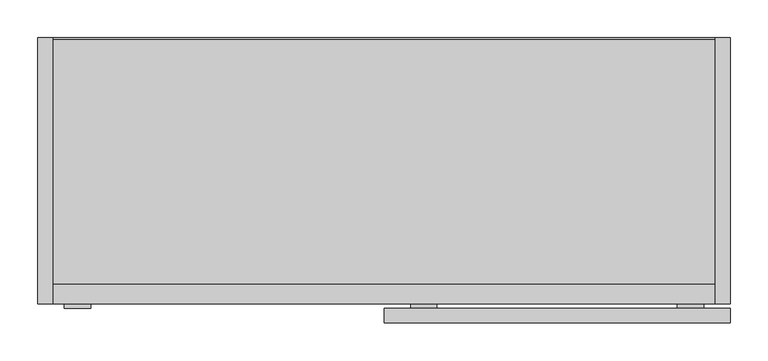
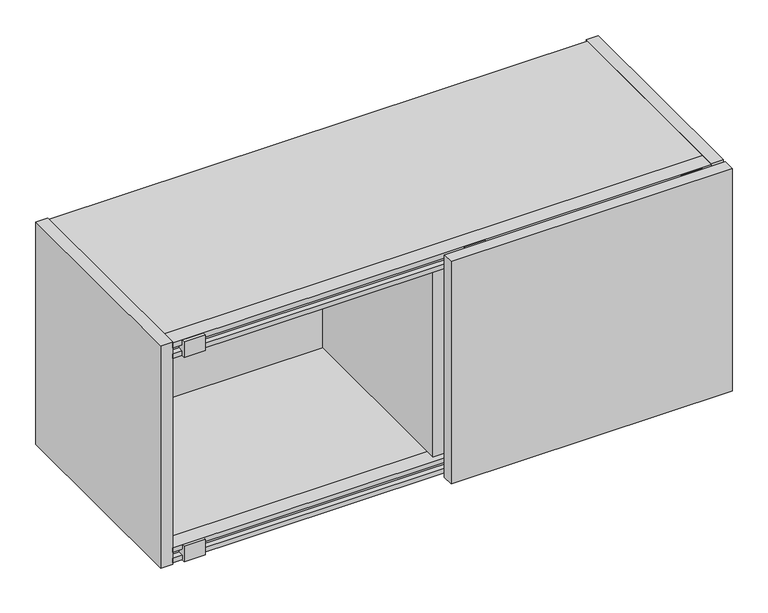
"""IFC4 building model written with IfcOpenShell, lengths in millimetres: furniture geometry."""

from ifc_helpers import new_model, si_unit, frame, origin, place, context, project, spatial, polyline, outline, extrude, faceted_brep, source, transform, mapped, element, save


def furniture_1bb23334(model_context):
    return source(origin(), model_context, "Body", "SolidModel", [
        extrude(outline(polyline([(-191.7735724, 1848.64375), (-191.7735724, 1840.70625), (-182.8835724, 1840.70625), (-182.8835724, 1830.3875), (-191.7735724, 1830.3875), (-191.7735724, 1822.45), (-197.5952524, 1822.45), (-197.5952524, 1848.64375), (-191.7735724, 1848.64375)])), frame((-422.275, 0.0, 0.0), z_axis=(1.0, 0.0, 0.0), x_axis=(0.0, 1.0, 0.0)), (0.0, 0.0, 1.0), 34.29),
        extrude(outline(polyline([(-191.7735724, 1840.70625), (-191.7735724, 1849.4319608), (-166.4497724, 1849.4319608), (-166.4497724, 1822.45), (-191.7735724, 1822.45), (-191.7735724, 1830.3875), (-182.8835724, 1830.3875), (-182.8835724, 1840.70625), (-191.7735724, 1840.70625)])), frame((-437.896, 0.0, 0.0), z_axis=(1.0, 0.0, 0.0), x_axis=(0.0, 1.0, 0.0)), (0.0, 0.0, 1.0), 872.8154375),
        extrude(outline(polyline([(-191.7735724, 1490.6625), (-191.7735724, 1498.6), (-166.4497724, 1498.6), (-166.4497724, 1472.40625), (-191.7735724, 1472.40625), (-191.7735724, 1480.34375), (-182.8835724, 1480.34375), (-182.8835724, 1490.6625), (-191.7735724, 1490.6625)])), frame((-437.896, 0.0, 0.0), z_axis=(1.0, 0.0, 0.0), x_axis=(0.0, 1.0, 0.0)), (0.0, 0.0, 1.0), 872.8154375),
        extrude(outline(polyline([(-191.7735724, 1498.6), (-191.7735724, 1490.6625), (-182.8835724, 1490.6625), (-182.8835724, 1480.34375), (-191.7735724, 1480.34375), (-191.7735724, 1472.40625), (-197.5952524, 1472.40625), (-197.5952524, 1498.6), (-191.7735724, 1498.6)])), frame((385.0084375, 0.0, 0.0), z_axis=(1.0, 0.0, 0.0), x_axis=(0.0, 1.0, 0.0)), (0.0, 0.0, 1.0), 34.29),
        extrude(outline(polyline([(-191.7735724, 1498.6), (-191.7735724, 1490.6625), (-182.8835724, 1490.6625), (-182.8835724, 1480.34375), (-191.7735724, 1480.34375), (-191.7735724, 1472.40625), (-197.5952524, 1472.40625), (-197.5952524, 1498.6), (-191.7735724, 1498.6)])), frame((33.5232375, 0.0, 0.0), z_axis=(1.0, 0.0, 0.0), x_axis=(0.0, 1.0, 0.0)), (0.0, 0.0, 1.0), 34.29),
        extrude(outline(polyline([(-191.7735724, 1848.64375), (-191.7735724, 1840.70625), (-182.8835724, 1840.70625), (-182.8835724, 1830.3875), (-191.7735724, 1830.3875), (-191.7735724, 1822.45), (-197.5952524, 1822.45), (-197.5952524, 1848.64375), (-191.7735724, 1848.64375)])), frame((385.0084375, 0.0, 0.0), z_axis=(1.0, 0.0, 0.0), x_axis=(0.0, 1.0, 0.0)), (0.0, 0.0, 1.0), 34.29),
        extrude(outline(polyline([(-191.7735724, 1848.64375), (-191.7735724, 1840.70625), (-182.8835724, 1840.70625), (-182.8835724, 1830.3875), (-191.7735724, 1830.3875), (-191.7735724, 1822.45), (-197.5952524, 1822.45), (-197.5952524, 1848.64375), (-191.7735724, 1848.64375)])), frame((33.5232375, 0.0, 0.0), z_axis=(1.0, 0.0, 0.0), x_axis=(0.0, 1.0, 0.0)), (0.0, 0.0, 1.0), 34.29),
        extrude(outline(polyline([(-191.7735724, 1498.6), (-191.7735724, 1490.6625), (-182.8835724, 1490.6625), (-182.8835724, 1480.34375), (-191.7735724, 1480.34375), (-191.7735724, 1472.40625), (-197.5952524, 1472.40625), (-197.5952524, 1498.6), (-191.7735724, 1498.6)])), frame((-422.275, 0.0, 0.0), z_axis=(1.0, 0.0, 0.0), x_axis=(0.0, 1.0, 0.0)), (0.0, 0.0, 1.0), 34.29),
        faceted_brep([(-437.896, 158.8226276, 1851.025), (-457.2, 158.8226276, 1851.025), (-457.2, -191.7735724, 1851.025), (-437.896, -191.7735724, 1851.025), (434.9194375, -191.7735724, 1851.025), (454.2234375, -191.7735724, 1851.025), (454.2234375, 158.8226276, 1851.025), (434.9194375, 158.8226276, 1851.025), (-437.896, 158.8226276, 1470.025), (-437.896, -191.7735724, 1470.025), (-457.2, -191.7735724, 1470.025), (-457.2, 158.8226276, 1470.025), (434.9194375, -191.7735724, 1470.025), (434.9194375, 158.8226276, 1470.025), (454.2234375, 158.8226276, 1470.025), (454.2234375, -191.7735724, 1470.025), (-437.896, -166.4497724, 1849.4319608), (-437.896, 156.4413776, 1849.4319608), (-437.896, 156.4413776, 1822.45), (-437.896, -166.4497724, 1822.45), (-437.896, -166.4497724, 1498.6), (-437.896, 141.3356367, 1498.6), (-437.896, 141.3356367, 1472.40625), (-437.896, -166.4497724, 1472.40625), (434.9194375, 156.4413776, 1849.4319608), (434.9194375, -166.4497724, 1849.4319608), (434.9194375, -166.4497724, 1822.45), (434.9194375, 156.4413776, 1822.45), (434.9194375, 141.3356367, 1498.6), (434.9194375, -166.4497724, 1498.6), (434.9194375, -166.4497724, 1472.40625), (434.9194375, 141.3356367, 1472.40625)], [[[0, 1, 2, 3]], [[4, 5, 6, 7]], [[8, 9, 10, 11]], [[12, 13, 14, 15]], [[1, 0, 8, 11]], [[2, 1, 11, 10]], [[3, 2, 10, 9]], [[0, 3, 9, 8], [16, 17, 18, 19], [20, 21, 22, 23]], [[4, 7, 13, 12], [24, 25, 26, 27], [28, 29, 30, 31]], [[5, 4, 12, 15]], [[6, 5, 15, 14]], [[7, 6, 14, 13]], [[16, 25, 24, 17]], [[17, 24, 27, 18]], [[18, 27, 26, 19]], [[20, 29, 28, 21]], [[21, 28, 31, 22]], [[22, 31, 30, 23]], [[25, 16, 19, 26]], [[29, 20, 23, 30]]]),
        extrude(outline(polyline([(145.5282676, 1751.838), (145.5282676, 1822.45), (158.8226276, 1822.45), (158.8226276, 1740.535), (145.5282676, 1751.838)])), frame((-437.896, 0.0, 0.0), z_axis=(1.0, 0.0, 0.0), x_axis=(0.0, 1.0, 0.0)), (0.0, 0.0, 1.0), 872.8154375),
        extrude(outline(polyline([(8.1637187, -182.8835724), (-11.1402813, -182.8835724), (-11.1402813, 126.2242676), (8.1637187, 126.2242676), (8.1637187, -182.8835724)])), frame((0.0, 0.0, 1498.6), z_axis=(0.0, 0.0, 1.0), x_axis=(1.0, 0.0, 0.0)), (0.0, 0.0, 1.0), 323.85),
        extrude(outline(polyline([(-1.4017625, -216.8992524), (-1.4017625, -197.5952524), (454.2234375, -197.5952524), (454.2234375, -216.8992524), (-1.4017625, -216.8992524)])), frame((0.0, 0.0, 1470.025), z_axis=(0.0, 0.0, 1.0), x_axis=(1.0, 0.0, 0.0)), (0.0, 0.0, 1.0), 381.0),
        extrude(outline(polyline([(434.9194375, 145.5282676), (434.9194375, 126.2242676), (-437.896, 126.2242676), (-437.896, 145.5282676), (434.9194375, 145.5282676)])), frame((0.0, 0.0, 1498.6), z_axis=(0.0, 0.0, 1.0), x_axis=(1.0, 0.0, 0.0)), (0.0, 0.0, 1.0), 323.85),
    ])


if __name__ == "__main__":
    model = new_model("IFC4")
    model_context = context("Model", 3, world=origin())
    ifc_project = project(units=[si_unit("LENGTHUNIT", "METRE", prefix="MILLI")], contexts=[model_context])
    site = spatial("IfcSite", under=ifc_project)
    building = spatial("IfcBuilding", under=site)
    placement = place(None, origin())
    furniture_shape = furniture_1bb23334(model_context)
    element("IfcFurniture", 1, at=placement, inside=building, context=model_context, shape_type="MappedRepresentation", body=[
        mapped(furniture_shape, transform((0.0, 0.0, 0.0), x_axis=(1.0, 0.0, 0.0), y_axis=(0.0, 1.0, 0.0), z_axis=(0.0, 0.0, 1.0))),
    ])
    save(model, "model.ifc")
